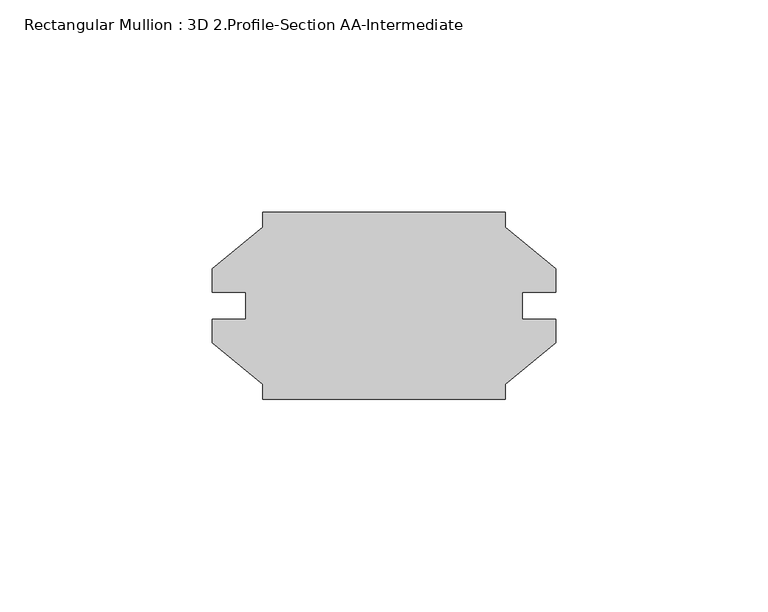
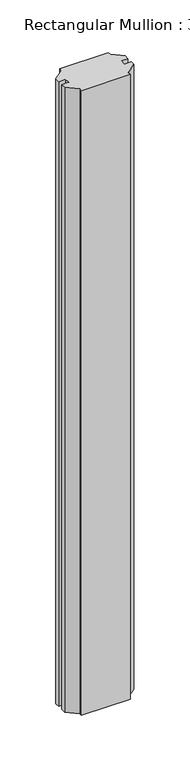
"""IFC4 building model written with IfcOpenShell, lengths in millimetres: member geometry, Rectangular Mullion : 3D 2.Profile-Section AA-Intermediate."""

from ifc_helpers import new_model, si_unit, frame, origin, place, context, project, spatial, polyline, outline, extrude, source, transform, mapped, element, save


def rectangular_mullion_3d_2_profile_section_aa_intermediate_c06a6139(model_context):
    return source(origin(), model_context, "Body", "SweptSolid", [
        extrude(outline(polyline([(-28.575, -22.0345), (-28.575, -18.518836), (-40.48125, -8.7503), (-40.48125, -3.175), (-32.5374, -3.175), (-32.5374, 3.175), (-40.48125, 3.175), (-40.48125, 8.7503), (-28.575, 18.518836), (-28.575, 22.0345), (28.575, 22.0345), (28.575, 18.518836), (40.48125, 8.7503), (40.48125, 3.175), (32.5374, 3.175), (32.5374, -3.175), (40.48125, -3.175), (40.48125, -8.7503), (28.575, -18.518836), (28.575, -22.0345), (-28.575, -22.0345)])), frame((0.0, 0.0, -772.1330125), z_axis=(0.0, 0.0, 1.0), x_axis=(1.0, 0.0, 0.0)), (0.0, 0.0, 1.0), 772.1330125),
    ])


if __name__ == "__main__":
    model = new_model("IFC4")
    model_context = context("Model", 3, world=origin())
    ifc_project = project(units=[si_unit("LENGTHUNIT", "METRE", prefix="MILLI")], contexts=[model_context])
    site = spatial("IfcSite", under=ifc_project)
    building = spatial("IfcBuilding", under=site)
    placement = place(None, origin())
    rectangular_mullion_3d_2_profile_section_aa_intermediate_shape = rectangular_mullion_3d_2_profile_section_aa_intermediate_c06a6139(model_context)
    element("IfcMember", 1, ObjectType="Rectangular Mullion : 3D 2.Profile-Section AA-Intermediate", at=placement, inside=building, context=model_context, shape_type="MappedRepresentation", body=[
        mapped(rectangular_mullion_3d_2_profile_section_aa_intermediate_shape, transform((0.0, 0.0, 0.0), x_axis=(1.0, 0.0, 0.0), y_axis=(0.0, 1.0, 0.0), z_axis=(0.0, 0.0, 1.0))),
    ])
    save(model, "model.ifc")
